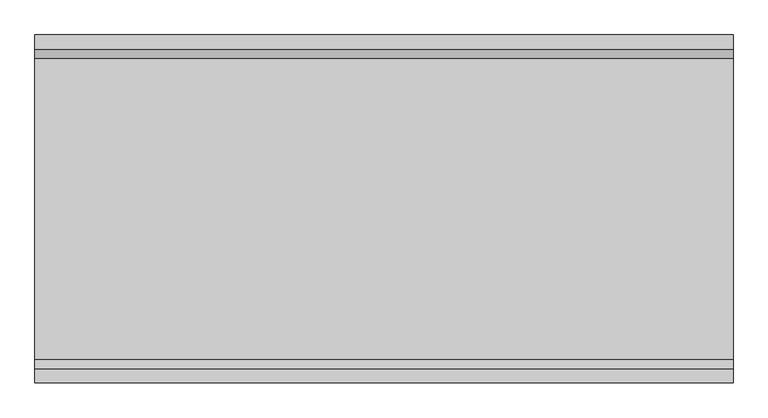
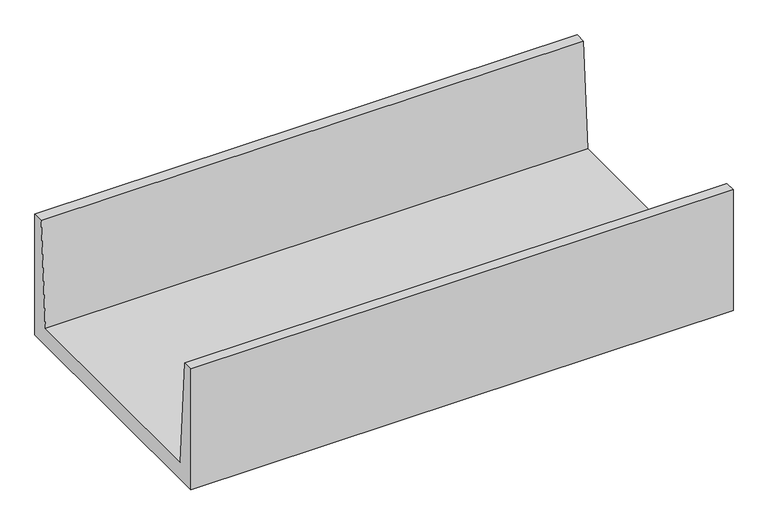
"""IFC4 building model written with IfcOpenShell, lengths in millimetres: proxy geometry."""

from ifc_helpers import new_model, si_unit, frame, origin, place, context, project, spatial, polyline, outline, extrude, source, transform, mapped, element, save


def generic_models_0a3cd5dd(model_context):
    return source(origin(), model_context, "Body", "SweptSolid", [
        extrude(outline(polyline([(-680.0, 700.0), (-640.0, 100.0), (640.0, 100.0), (680.0, 700.0), (740.0, 700.0), (740.0, 0.0), (-740.0, 0.0), (-740.0, 700.0), (-680.0, 700.0)])), frame((-1485.0, 0.0, 0.0), z_axis=(1.0, 0.0, 0.0), x_axis=(0.0, 1.0, 0.0)), (0.0, 0.0, 1.0), 2970.0),
    ])


if __name__ == "__main__":
    model = new_model("IFC4")
    model_context = context("Model", 3, world=origin())
    ifc_project = project(units=[si_unit("LENGTHUNIT", "METRE", prefix="MILLI")], contexts=[model_context])
    site = spatial("IfcSite", under=ifc_project)
    building = spatial("IfcBuilding", under=site)
    placement = place(None, origin())
    generic_models_shape = generic_models_0a3cd5dd(model_context)
    element("IfcBuildingElementProxy", 1, Name="Generic Models", at=placement, inside=building, context=model_context, shape_type="MappedRepresentation", body=[
        mapped(generic_models_shape, transform((0.0, 0.0, 0.0), x_axis=(1.0, 0.0, 0.0), y_axis=(0.0, 1.0, 0.0), z_axis=(0.0, 0.0, 1.0))),
    ])
    save(model, "model.ifc")
